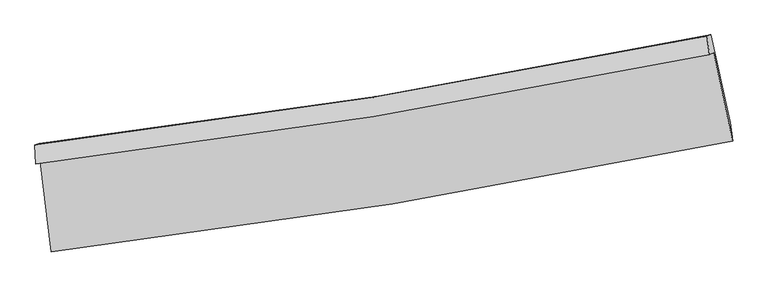
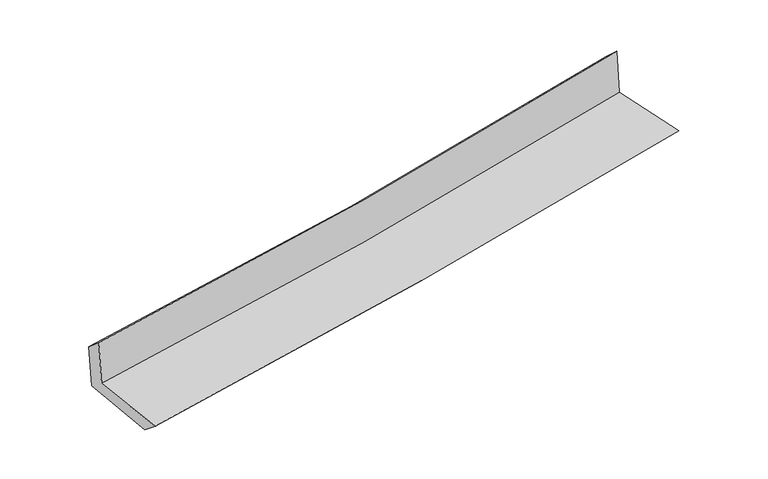
"""IFC4 building model written with IfcOpenShell, lengths in millimetres: proxy geometry."""

from ifc_helpers import new_model, si_unit, frame, origin, place, context, project, spatial, source, transform, mapped, element, save
from ifc_brep_helpers import plane_surface, spline_curve, spline_surface, advanced_brep


def generic_models_4a9b8235(model_context):
    return source(origin(), model_context, "Body", "AdvancedBrep", [
        advanced_brep(
        [(-2527.0275568, -1880.9820769, 1668.9464006), (-2443.1791575, -2549.450065, 1648.9589836), (2608.6641771, -1726.0621728, 2111.9104331), (2468.517791, -1071.5815501, 2120.5519408), (-2558.6663574, -1896.8141325, 2065.7140067), (2436.5605037, -1087.5729764, 2521.3135417), (-2565.8173983, -1757.378428, 1947.7397817), (2418.5808009, -949.4789488, 2391.7795814), (-2535.0221596, -1747.2680878, 1569.2457513), (2448.5797336, -939.6965836, 2028.1974079), (-2451.1726125, -2403.5828396, 1531.5986426), (2590.1680069, -1590.8714639, 1995.2367525)],
        [
            (0, 1),
            (1, 2, spline_curve(3, [(-2443.1791575, -2549.450065, 1648.9589836), (-1596.504096149, -2449.852290831, 1733.835295005), (-752.789963515, -2331.565257513, 1814.802125894), (931.175158277, -2057.212096959, 1969.142175005), (1771.408803565, -1901.036499637, 2042.492493978), (2608.6641771, -1726.0621728, 2111.9104331)], [4, 2, 4], [0.0, 8.372787778541971, 16.770061087963303])),
            (2, 3),
            (3, 0, spline_curve(3, [(2468.517791, -1071.5815501, 2120.5519408), (1640.636676576, -1241.905692585, 2041.227125634), (809.788525783, -1394.590572615, 1963.8788566), (-855.410534859, -1664.288029928, 1813.355186503), (-1689.744166377, -1781.403325426, 1740.168275363), (-2527.0275568, -1880.9820769, 1668.9464006)], [4, 2, 4], [0.0, 8.397273309421331, 16.770061087963303])),
            (4, 0),
            (3, 5),
            (5, 4, spline_curve(3, [(2436.5605037, -1087.5729764, 2521.3135417), (1608.631045405, -1257.921310257, 2442.594984633), (777.785376142, -1410.604948458, 2365.215596224), (-887.307226256, -1680.249134265, 2213.356883141), (-1721.537177355, -1797.31254775, 2138.869759631), (-2558.6663574, -1896.8141325, 2065.7140067)], [4, 2, 4], [0.0, 8.349014728065399, 16.67368464199846])),
            (6, 4),
            (5, 7),
            (7, 6, spline_curve(3, [(2418.5808009, -949.4789488, 2391.7795814), (1592.647271778, -1119.503109225, 2311.284918595), (763.703135292, -1271.912764626, 2233.984900712), (-897.780462619, -1541.110016654, 2085.990237454), (-1730.30239276, -1658.000187909, 2015.276988804), (-2565.8173983, -1757.378428, 1947.7397817)], [4, 2, 4], [0.0, 8.339279423707225, 16.654242420365243])),
            (8, 6),
            (7, 9),
            (9, 8, spline_curve(3, [(2448.5797336, -939.6965836, 2028.1974079), (1622.926148772, -1109.622286635, 1943.511567113), (794.188333058, -1261.955374232, 1862.872733616), (-867.030258315, -1531.043428685, 1709.912415175), (-1699.493073515, -1647.900842924, 1637.567362974), (-2535.0221596, -1747.2680878, 1569.2457513)], [4, 2, 4], [0.0, 8.32996816059114, 16.635647044758297])),
            (10, 8),
            (9, 11),
            (11, 10, spline_curve(3, [(2590.1680069, -1590.8714639, 1995.2367525), (1755.187883486, -1760.52834902, 1909.879050711), (916.967985815, -1913.156797784, 1828.513098032), (-763.497753411, -2183.961428205, 1673.990306684), (-1605.724728973, -2302.236771418, 1600.810222322), (-2451.1726125, -2403.5828396, 1531.5986426)], [4, 2, 4], [0.0, 8.377971641557755, 16.73151403378935])),
            (1, 10),
            (11, 2),
        ],
        [
            spline_surface(3, 3, [[(-2527.0275568, -1880.9820769, 1668.9464006), (-1689.74416651, -1781.40332544, 1740.168275462), (-855.410534792, -1664.288029904, 1813.355186497), (809.788525716, -1394.59057264, 1963.878856607), (1640.636676543, -1241.905692593, 2041.227125593), (2468.517791, -1071.5815501, 2120.5519408)], [(-2499.078090358, -2103.804739606, 1662.28392827), (-1658.664143013, -2004.219647222, 1738.057281938), (-821.20367767, -1886.713772426, 1813.837499616), (850.250736509, -1615.46441408, 1965.633296082), (1684.227385572, -1461.615961579, 2041.648915008), (2515.233253026, -1289.741757663, 2117.671438218)], [(-2471.128623942, -2326.627402294, 1655.62145593), (-1627.584119543, -2227.035968986, 1735.946288403), (-786.996820502, -2109.139514968, 1814.319812741), (890.712947348, -1836.338255541, 1967.387735564), (1727.818094623, -1681.326230577, 2042.070704471), (2561.948715074, -1507.901965237, 2114.790935682)], [(-2443.1791575, -2549.450065, 1648.9589836), (-1596.504096046, -2449.852290768, 1733.83529488), (-752.789963379, -2331.56525749, 1814.80212586), (931.175158141, -2057.212096982, 1969.14217504), (1771.408803652, -1901.036499563, 2042.492493886), (2608.6641771, -1726.0621728, 2111.9104331)]], [4, 4], [4, 2, 4], [0.0, 2.2123442280935857], [0.0, 8.372787778541971, 16.770061087963303]),
            spline_surface(3, 3, [[(-2558.6663574, -1896.8141325, 2065.7140067), (-1721.537177229, -1797.312547782, 2138.869759541), (-887.30722621, -1680.249134152, 2213.356883028), (777.785376097, -1410.604948572, 2365.215596337), (1608.631045385, -1257.92131016, 2442.594984523), (2436.5605037, -1087.5729764, 2521.3135417)], [(-2548.120090535, -1891.536780622, 1933.458137982), (-1710.939506991, -1792.009473656, 2005.96926483), (-876.674995722, -1674.928766077, 2080.022984159), (788.453092652, -1405.266823269, 2231.436683068), (1619.2995891, -1252.582770946, 2308.805698221), (2447.212932796, -1082.242500942, 2387.726341408)], [(-2537.573823665, -1886.259428778, 1801.202269318), (-1700.341836748, -1786.706399566, 1873.068770173), (-866.042765281, -1669.608397979, 1946.689085366), (799.12080916, -1399.928697942, 2097.657769876), (1629.968132827, -1247.244231807, 2175.016411895), (2457.865361904, -1076.912025558, 2254.139141092)], [(-2527.0275568, -1880.9820769, 1668.9464006), (-1689.74416651, -1781.40332544, 1740.168275462), (-855.410534792, -1664.288029904, 1813.355186497), (809.788525716, -1394.59057264, 1963.878856607), (1640.636676543, -1241.905692593, 2041.227125593), (2468.517791, -1071.5815501, 2120.5519408)]], [4, 4], [4, 2, 4], [0.0, 1.3197534750241446], [0.0, 8.32466991393306, 16.67368464199846]),
            spline_surface(3, 3, [[(-2565.8173983, -1757.378428, 1947.7397817), (-1730.302392729, -1658.000187885, 2015.27698885), (-897.780462666, -1541.110016749, 2085.990237445), (763.703135338, -1271.912764531, 2233.984900721), (1592.647271677, -1119.503109256, 2311.284918659), (2418.5808009, -949.4789488, 2391.7795814)], [(-2563.433718014, -1803.856996183, 1987.064523379), (-1727.380654244, -1704.437641201, 2056.474579093), (-894.289383839, -1587.489722563, 2128.445785989), (768.397215599, -1318.143492557, 2277.728465943), (1597.975196263, -1165.642509572, 2355.054940606), (2424.574035184, -995.510291348, 2434.957568159)], [(-2561.050037686, -1850.335564317, 2026.389265021), (-1724.458915715, -1750.875094467, 2097.672169298), (-890.798305037, -1633.869428338, 2170.901334484), (773.091295836, -1364.374220545, 2321.472031115), (1603.303120799, -1211.781909844, 2398.824962576), (2430.567269416, -1041.541633852, 2478.135554941)], [(-2558.6663574, -1896.8141325, 2065.7140067), (-1721.537177229, -1797.312547782, 2138.869759541), (-887.30722621, -1680.249134152, 2213.356883028), (777.785376097, -1410.604948572, 2365.215596337), (1608.631045385, -1257.92131016, 2442.594984523), (2436.5605037, -1087.5729764, 2521.3135417)]], [4, 4], [4, 2, 4], [0.0, 0.6239451171115972], [0.0, 8.314962996658018, 16.654242420365243]),
            spline_surface(3, 3, [[(-2535.0221596, -1747.2680878, 1569.2457513), (-1699.493073608, -1647.900842862, 1637.567362959), (-867.030258333, -1531.043428805, 1709.912415058), (794.188333076, -1261.955374111, 1862.872733733), (1622.926148859, -1109.622286773, 1943.511567179), (2448.5797336, -939.6965836, 2028.1974079)], [(-2545.28723916, -1750.638201192, 1695.410428102), (-1709.762846641, -1651.267291195, 1763.470571591), (-877.280326465, -1534.398958102, 1835.271689174), (784.026600476, -1265.274504233, 1986.576789383), (1612.833189799, -1112.915894269, 2066.102684364), (2438.580089368, -942.957372001, 2149.391465758)], [(-2555.55231874, -1754.008314608, 1821.575104898), (-1720.032619695, -1654.633739552, 1889.373780218), (-887.530394534, -1537.754487452, 1960.630963329), (773.864867939, -1268.593634409, 2110.280845071), (1602.740230737, -1116.209501761, 2188.693801474), (2428.580445132, -946.218160399, 2270.585523542)], [(-2565.8173983, -1757.378428, 1947.7397817), (-1730.302392729, -1658.000187885, 2015.27698885), (-897.780462666, -1541.110016749, 2085.990237445), (763.703135338, -1271.912764531, 2233.984900721), (1592.647271677, -1119.503109256, 2311.284918659), (2418.5808009, -949.4789488, 2391.7795814)]], [4, 4], [4, 2, 4], [0.0, 1.2302294605140407], [0.0, 8.305678884167158, 16.635647044758297]),
            spline_surface(3, 3, [[(-2451.1726125, -2403.5828396, 1531.5986426), (-1605.72472888, -2302.236771384, 1600.810222449), (-763.497753425, -2183.961428274, 1673.990306563), (916.96798583, -1913.156797715, 1828.513098154), (1755.187883482, -1760.528348909, 1909.879050618), (2590.1680069, -1590.8714639, 1995.2367525)], [(-2479.122461534, -2184.811255684, 1544.147678843), (-1636.98084379, -2084.124795227, 1613.062602629), (-798.008588405, -1966.322095124, 1685.964342745), (876.041434902, -1696.089656521, 1839.966310031), (1711.100638598, -1543.559661536, 1921.089889447), (2542.971915791, -1373.813170473, 2006.223637609)], [(-2507.072310566, -1966.039671716, 1556.696715057), (-1668.236958698, -1866.012819018, 1625.314982779), (-832.519423353, -1748.682761954, 1697.938378876), (835.114884005, -1479.022515305, 1851.419521856), (1667.013393742, -1326.590974146, 1932.30072835), (2495.775824709, -1156.754877027, 2017.210522791)], [(-2535.0221596, -1747.2680878, 1569.2457513), (-1699.493073608, -1647.900842862, 1637.567362959), (-867.030258333, -1531.043428805, 1709.912415058), (794.188333076, -1261.955374111, 1862.872733733), (1622.926148859, -1109.622286773, 1943.511567179), (2448.5797336, -939.6965836, 2028.1974079)]], [4, 4], [4, 2, 4], [0.0, 2.1743430279385936], [0.0, 8.353542392231594, 16.73151403378935]),
            spline_surface(3, 3, [[(-2443.1791575, -2549.450065, 1648.9589836), (-1596.504096046, -2449.852290768, 1733.83529488), (-752.789963379, -2331.56525749, 1814.80212586), (931.175158141, -2057.212096982, 1969.14217504), (1771.408803652, -1901.036499563, 2042.492493886), (2608.6641771, -1726.0621728, 2111.9104331)], [(-2445.8436425, -2500.827656514, 1609.838869923), (-1599.577640323, -2400.64711762, 1689.493604059), (-756.359226705, -2282.363981081, 1767.864852767), (926.43943406, -2009.19366389, 1922.265816085), (1766.001830264, -1854.200449352, 1998.288012812), (2602.498787036, -1680.998603173, 2073.019206248)], [(-2448.5081275, -2452.205248086, 1570.718756277), (-1602.651184603, -2351.441944531, 1645.151913269), (-759.9284901, -2233.162704682, 1720.927579655), (921.703709911, -1961.175230807, 1875.38945711), (1760.594856869, -1807.36439912, 1954.083531692), (2596.333396964, -1635.935033527, 2034.127979352)], [(-2451.1726125, -2403.5828396, 1531.5986426), (-1605.72472888, -2302.236771384, 1600.810222449), (-763.497753425, -2183.961428274, 1673.990306563), (916.96798583, -1913.156797715, 1828.513098154), (1755.187883482, -1760.528348909, 1909.879050618), (2590.1680069, -1590.8714639, 1995.2367525)]], [4, 4], [4, 2, 4], [0.0, 0.6661173098890842], [0.0, 8.410892587097551, 16.846382139460623]),
            plane_surface(frame((2495.1785022, -1227.5439493, 2194.8316096), z_axis=(0.9744432821224343, 0.20752588522131776, 0.08598428280544343), x_axis=(-0.08220038698504965, -0.026804760470623926, 0.9962552891682034))),
            plane_surface(frame((-2513.4808737, -2039.2459383, 1738.7005944), z_axis=(-0.9890476202569253, -0.12155667214912023, -0.08371845865843784), x_axis=(-0.12440367378665725, 0.9917884443608026, 0.02965480704308093))),
        ],
        [
            (0, [[1, 2, 3, 4]]),
            (1, [[5, -4, 6, 7]]),
            (2, [[8, -7, 9, 10]]),
            (3, [[11, -10, 12, 13]]),
            (4, [[14, -13, 15, 16]]),
            (5, [[17, -16, 18, -2]]),
            (6, [[-12, -9, -6, -3, -18, -15]]),
            (7, [[-1, -5, -8, -11, -14, -17]]),
        ],
    ),
    ])


if __name__ == "__main__":
    model = new_model("IFC4")
    model_context = context("Model", 3, world=origin())
    ifc_project = project(units=[si_unit("LENGTHUNIT", "METRE", prefix="MILLI")], contexts=[model_context])
    site = spatial("IfcSite", under=ifc_project)
    building = spatial("IfcBuilding", under=site)
    placement = place(None, origin())
    generic_models_shape = generic_models_4a9b8235(model_context)
    element("IfcBuildingElementProxy", 1, Name="Generic Models", at=placement, inside=building, context=model_context, shape_type="MappedRepresentation", body=[
        mapped(generic_models_shape, transform((0.0, 0.0, 0.0), x_axis=(1.0, 0.0, 0.0), y_axis=(0.0, 1.0, 0.0), z_axis=(0.0, 0.0, 1.0))),
    ])
    save(model, "model.ifc")
